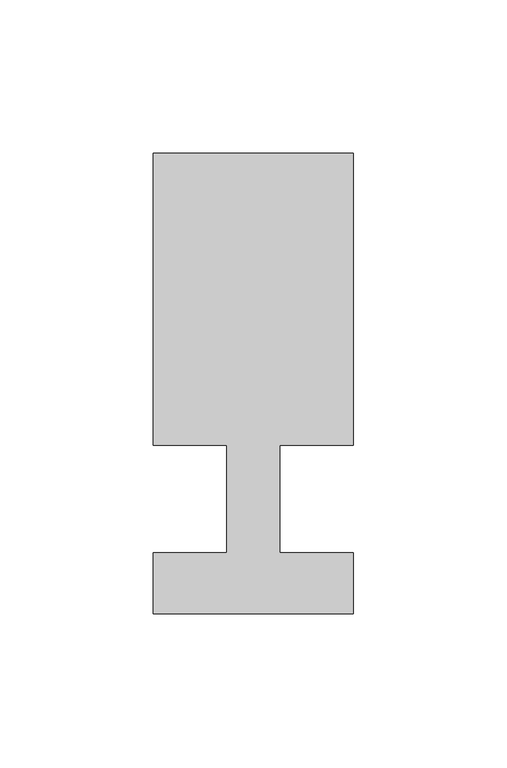
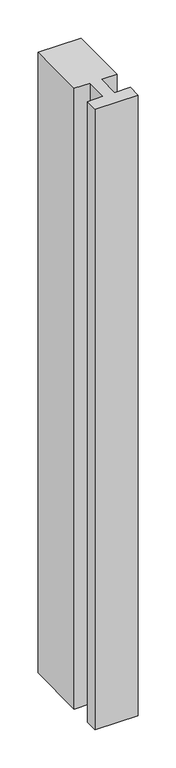
"""IFC4 building model written with IfcOpenShell, lengths in millimetres: member geometry."""

from ifc_helpers import new_model, si_unit, frame, origin, place, context, project, spatial, polyline, outline, extrude, source, transform, mapped, element, save


def member_c317c83b(model_context):
    return source(origin(), model_context, "Body", "SweptSolid", [
        extrude(outline(polyline([(0.0, -37.0), (-65.0, -37.0), (-65.0, -17.0), (-41.1875, -17.0), (-41.1875, 18.0), (-65.0, 18.0), (-65.0, 113.0), (0.0, 113.0), (0.0, 18.0), (-23.8125, 18.0), (-23.8125, -17.0), (0.0, -17.0), (0.0, -37.0)])), frame((0.0, 0.0, -992.9107143), z_axis=(0.0, 0.0, 1.0), x_axis=(1.0, 0.0, 0.0)), (0.0, 0.0, 1.0), 992.9107143),
    ])


if __name__ == "__main__":
    model = new_model("IFC4")
    model_context = context("Model", 3, world=origin())
    ifc_project = project(units=[si_unit("LENGTHUNIT", "METRE", prefix="MILLI")], contexts=[model_context])
    site = spatial("IfcSite", under=ifc_project)
    building = spatial("IfcBuilding", under=site)
    placement = place(None, origin())
    member_shape = member_c317c83b(model_context)
    element("IfcMember", 1, at=placement, inside=building, context=model_context, shape_type="MappedRepresentation", body=[
        mapped(member_shape, transform((0.0, 0.0, 0.0), x_axis=(1.0, 0.0, 0.0), y_axis=(0.0, 1.0, 0.0), z_axis=(0.0, 0.0, 1.0))),
    ])
    save(model, "model.ifc")
